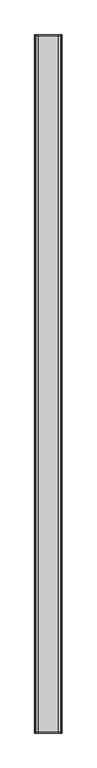
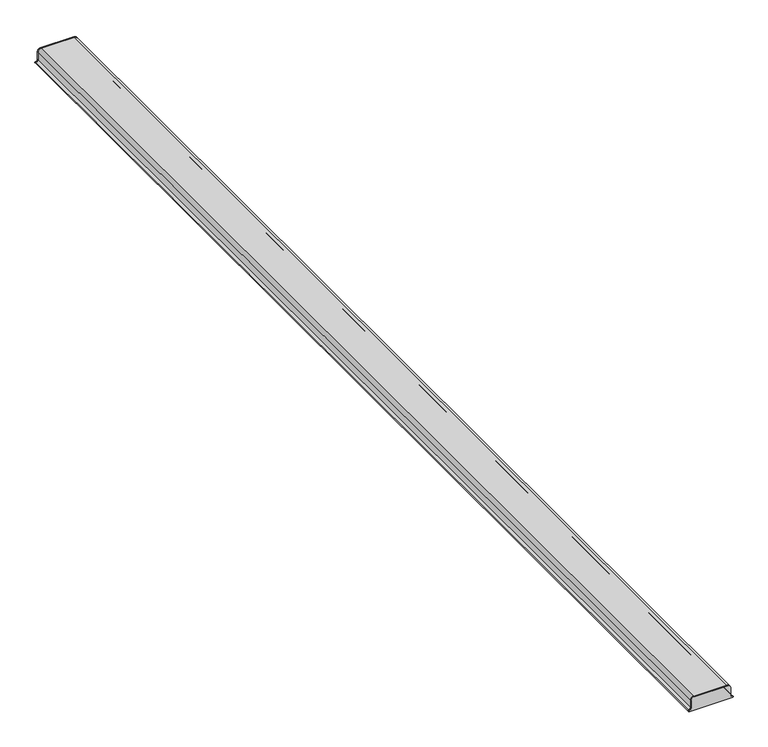
"""IFC4 building model written with IfcOpenShell, lengths in millimetres: proxy geometry."""

from ifc_helpers import new_model, si_unit, point, frame, frame_2d, origin, place, context, project, spatial, polyline, circle_curve, trimmed, segment, composite_curve, outline, extrude, source, transform, mapped, element, save


def generic_models_3db2d754(model_context):
    return source(origin(), model_context, "Body", "SweptSolid", [
        extrude(outline(composite_curve([segment(trimmed(circle_curve(frame_2d((431.1687819, 235.6397011)), 12.7), [point((418.4687819, 235.6397011))], [point((431.1687819, 222.9397011))], True, "CARTESIAN"), True, "CONTINUOUS"), segment(polyline([(431.1687819, 222.9397011), (482.3425919, 222.9397011)]), True, "CONTINUOUS"), segment(trimmed(circle_curve(frame_2d((480.3119736, 203.9982362)), 19.05), [point((482.3425919, 222.9397011))], [point((499.3619736, 203.9982362))], False, "CARTESIAN"), True, "CONTINUOUS"), segment(polyline([(499.3619736, 203.9982362), (499.3619736, -5.6602989)]), True, "CONTINUOUS"), segment(trimmed(circle_curve(frame_2d((480.3119736, -5.6602989)), 19.05), [point((499.3619736, -5.6602989))], [point((480.3119736, -24.7102989))], False, "CARTESIAN"), True, "CONTINUOUS"), segment(polyline([(480.3119736, -24.7102989), (431.1687819, -24.7102989)]), True, "CONTINUOUS"), segment(trimmed(circle_curve(frame_2d((431.1687819, -37.4102989)), 12.7), [point((431.1687819, -24.7102989))], [point((418.4687819, -37.4102989))], True, "CARTESIAN"), True, "CONTINUOUS"), segment(trimmed(circle_curve(frame_2d((415.2937819, -37.4102989)), 3.175), [point((418.4687819, -37.4102989))], [point((412.1187819, -37.4102989))], False, "CARTESIAN"), True, "CONTINUOUS"), segment(polyline([(412.1187819, -37.4102989), (412.1187819, 235.6397011)]), True, "CONTINUOUS"), segment(trimmed(circle_curve(frame_2d((415.2937819, 235.6397011)), 3.175), [point((412.1187819, 235.6397011))], [point((418.4687819, 235.6397011))], False, "CARTESIAN"), True, "CONTINUOUS")], self_intersect=False)), frame((0.0, -3553.221875, 0.0), z_axis=(0.0, 1.0, 0.0), x_axis=(0.0, 0.0, 1.0)), (0.0, 0.0, 1.0), 6.35),
        extrude(outline(composite_curve([segment(trimmed(circle_curve(frame_2d((431.1687819, -37.4102989)), 12.7), [point((431.1687819, -24.7102989))], [point((418.4687819, -37.4102989))], True, "CARTESIAN"), True, "CONTINUOUS"), segment(trimmed(circle_curve(frame_2d((415.2937819, -37.4102989)), 3.175), [point((418.4687819, -37.4102989))], [point((412.1187819, -37.4102989))], False, "CARTESIAN"), True, "CONTINUOUS"), segment(polyline([(412.1187819, -37.4102989), (412.1187819, 235.6397011)]), True, "CONTINUOUS"), segment(trimmed(circle_curve(frame_2d((415.2937819, 235.6397011)), 3.175), [point((412.1187819, 235.6397011))], [point((418.4687819, 235.6397011))], False, "CARTESIAN"), True, "CONTINUOUS"), segment(trimmed(circle_curve(frame_2d((431.1687819, 235.6397011)), 12.7), [point((418.4687819, 235.6397011))], [point((431.1687819, 222.9397011))], True, "CARTESIAN"), True, "CONTINUOUS"), segment(polyline([(431.1687819, 222.9397011), (482.3425919, 222.9397011)]), True, "CONTINUOUS"), segment(trimmed(circle_curve(frame_2d((480.3119736, 203.9982362)), 19.05), [point((482.3425919, 222.9397011))], [point((499.3619736, 203.9982362))], False, "CARTESIAN"), True, "CONTINUOUS"), segment(polyline([(499.3619736, 203.9982362), (499.3619736, -5.6602989)]), True, "CONTINUOUS"), segment(trimmed(circle_curve(frame_2d((480.3119736, -5.6602989)), 19.05), [point((499.3619736, -5.6602989))], [point((480.3119736, -24.7102989))], False, "CARTESIAN"), True, "CONTINUOUS"), segment(polyline([(480.3119736, -24.7102989), (431.1687819, -24.7102989)]), True, "CONTINUOUS")], self_intersect=False)), frame((0.0, 3546.871875, 0.0), z_axis=(0.0, 1.0, 0.0), x_axis=(0.0, 0.0, 1.0)), (0.0, 0.0, 1.0), 6.35),
        extrude(outline(composite_curve([segment(trimmed(circle_curve(frame_2d((480.3119736, -5.6602989)), 19.05), [point((499.3619736, -5.6602989))], [point((480.3119736, -24.7102989))], False, "CARTESIAN"), True, "CONTINUOUS"), segment(polyline([(480.3119736, -24.7102989), (431.1687819, -24.7102989)]), True, "CONTINUOUS"), segment(trimmed(circle_curve(frame_2d((431.1687819, -37.4102989)), 12.7), [point((431.1687819, -24.7102989))], [point((418.4687819, -37.4102989))], True, "CARTESIAN"), True, "CONTINUOUS"), segment(trimmed(circle_curve(frame_2d((415.2937819, -37.4102989)), 3.175), [point((418.4687819, -37.4102989))], [point((412.1187819, -37.4102989))], False, "CARTESIAN"), True, "CONTINUOUS"), segment(trimmed(circle_curve(frame_2d((431.1687819, -37.4102989)), 19.05), [point((412.1187819, -37.4102989))], [point((431.1687819, -18.3602989))], False, "CARTESIAN"), True, "CONTINUOUS"), segment(polyline([(431.1687819, -18.3602989), (480.3119736, -18.3602989)]), True, "CONTINUOUS"), segment(trimmed(circle_curve(frame_2d((480.3119736, -5.6602989)), 12.7), [point((480.3119736, -18.3602989))], [point((493.0119736, -5.6602989))], True, "CARTESIAN"), True, "CONTINUOUS"), segment(polyline([(493.0119736, -5.6602989), (493.0119736, 203.9982362)]), True, "CONTINUOUS"), segment(trimmed(circle_curve(frame_2d((480.3119736, 203.9982362)), 12.7), [point((493.0119736, 203.9982362))], [point((481.9687819, 216.5897011))], True, "CARTESIAN"), True, "CONTINUOUS"), segment(polyline([(481.9687819, 216.5897011), (431.1687819, 216.5897011)]), True, "CONTINUOUS"), segment(trimmed(circle_curve(frame_2d((431.1687819, 235.6397011)), 19.05), [point((431.1687819, 216.5897011))], [point((412.1187819, 235.6397011))], False, "CARTESIAN"), True, "CONTINUOUS"), segment(trimmed(circle_curve(frame_2d((415.2937819, 235.6397011)), 3.175), [point((412.1187819, 235.6397011))], [point((418.4687819, 235.6397011))], False, "CARTESIAN"), True, "CONTINUOUS"), segment(trimmed(circle_curve(frame_2d((431.1687819, 235.6397011)), 12.7), [point((418.4687819, 235.6397011))], [point((431.1687819, 222.9397011))], True, "CARTESIAN"), True, "CONTINUOUS"), segment(polyline([(431.1687819, 222.9397011), (482.3425919, 222.9397011)]), True, "CONTINUOUS"), segment(trimmed(circle_curve(frame_2d((480.3119736, 203.9982362)), 19.05), [point((482.3425919, 222.9397011))], [point((499.3619736, 203.9982362))], False, "CARTESIAN"), True, "CONTINUOUS"), segment(polyline([(499.3619736, 203.9982362), (499.3619736, -5.6602989)]), True, "CONTINUOUS")], self_intersect=False)), frame((0.0, -3546.871875, 0.0), z_axis=(0.0, 1.0, 0.0), x_axis=(0.0, 0.0, 1.0)), (0.0, 0.0, 1.0), 7093.74375),
    ])


if __name__ == "__main__":
    model = new_model("IFC4")
    model_context = context("Model", 3, world=origin())
    ifc_project = project(units=[si_unit("LENGTHUNIT", "METRE", prefix="MILLI")], contexts=[model_context])
    site = spatial("IfcSite", under=ifc_project)
    building = spatial("IfcBuilding", under=site)
    placement = place(None, origin())
    generic_models_shape = generic_models_3db2d754(model_context)
    element("IfcBuildingElementProxy", 1, Name="Generic Models", at=placement, inside=building, context=model_context, shape_type="MappedRepresentation", body=[
        mapped(generic_models_shape, transform((0.0, 0.0, 0.0), x_axis=(1.0, 0.0, 0.0), y_axis=(0.0, 1.0, 0.0), z_axis=(0.0, 0.0, 1.0))),
    ])
    save(model, "model.ifc")
